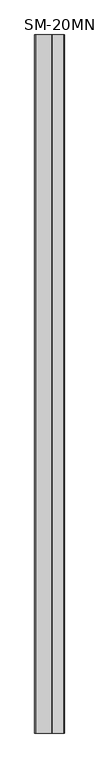
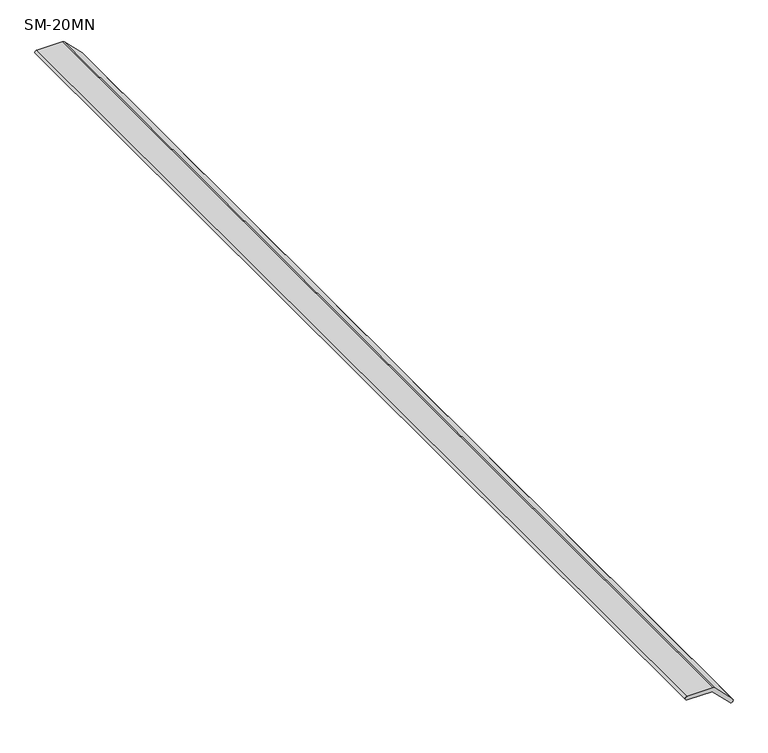
"""IFC4 building model written with IfcOpenShell, lengths in millimetres: proxy geometry, SM-20MN."""

from ifc_helpers import new_model, si_unit, point, frame, frame_2d, origin, place, context, project, spatial, polyline, circle_curve, trimmed, segment, composite_curve, outline, extrude, source, transform, mapped, element, save


def sm_20mn_9b0282b8(model_context):
    return source(origin(), model_context, "Body", "SweptSolid", [
        extrude(outline(composite_curve([segment(polyline([(0.0, -66.8417018), (0.0, 0.0), (-47.2867518, 47.2867518)]), True, "CONTINUOUS"), segment(trimmed(circle_curve(frame_2d((-43.6500264, 50.9234772)), 5.1431064), [point((-47.2867518, 47.2867518))], [point((-39.8133674, 54.3486182))], False, "CARTESIAN"), True, "CONTINUOUS"), segment(polyline([(-39.8133674, 54.3486182), (8.2373447, 6.2979061)]), True, "CONTINUOUS"), segment(trimmed(circle_curve(frame_2d((3.3658158, 1.4263772)), 6.8893823), [point((8.2373447, 6.2979061))], [point((10.2550392, 1.3796017))], False, "CARTESIAN"), True, "CONTINUOUS"), segment(polyline([(10.2550392, 1.3796017), (10.2550392, -66.8646952)]), True, "CONTINUOUS"), segment(trimmed(circle_curve(frame_2d((5.1275196, -66.8531986)), 5.1275325), [point((10.2550392, -66.8646952))], [point((0.0, -66.8417018))], False, "CARTESIAN"), True, "CONTINUOUS")], self_intersect=False)), frame((0.0, -1141.4125, 0.0), z_axis=(0.0, 1.0, 0.0), x_axis=(0.0, 0.0, 1.0)), (0.0, 0.0, 1.0), 3021.0125),
    ])


if __name__ == "__main__":
    model = new_model("IFC4")
    model_context = context("Model", 3, world=origin())
    ifc_project = project(units=[si_unit("LENGTHUNIT", "METRE", prefix="MILLI")], contexts=[model_context])
    site = spatial("IfcSite", under=ifc_project)
    building = spatial("IfcBuilding", under=site)
    placement = place(None, origin())
    sm_20mn_shape = sm_20mn_9b0282b8(model_context)
    element("IfcBuildingElementProxy", 1, Name="SM-20MN", ObjectType="SM-20MN", at=placement, inside=building, context=model_context, shape_type="MappedRepresentation", body=[
        mapped(sm_20mn_shape, transform((0.0, 0.0, 0.0), x_axis=(1.0, 0.0, 0.0), y_axis=(0.0, 1.0, 0.0), z_axis=(0.0, 0.0, 1.0))),
    ])
    save(model, "model.ifc")
